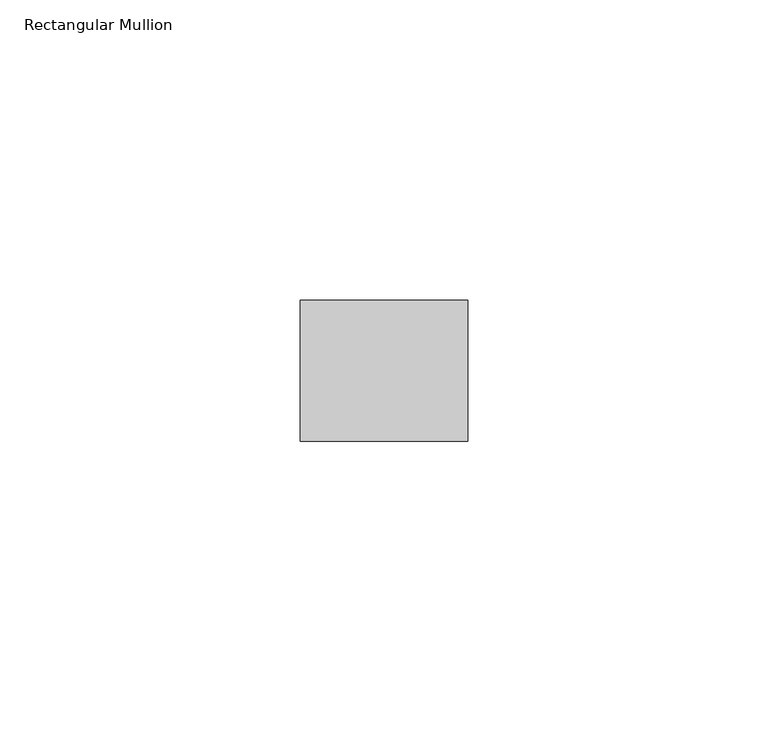
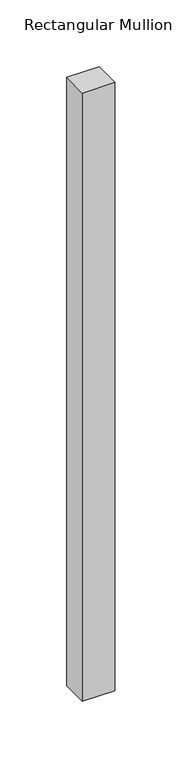
"""IFC4 building model written with IfcOpenShell, lengths in millimetres: member geometry, Rectangular Mullion."""

from ifc_helpers import new_model, si_unit, frame, origin, place, context, project, spatial, polyline, outline, extrude, source, transform, mapped, element, save


def rectangular_mullion_bb414008(model_context):
    return source(origin(), model_context, "Body", "SweptSolid", [
        extrude(outline(polyline([(0.0, -11.7474999), (-27.94, -11.7474999), (-27.94, 11.7474999), (0.0, 11.7474999), (0.0, -11.7474999)])), frame((0.0, 0.0, -555.7260641), z_axis=(0.0, 0.0, 1.0), x_axis=(1.0, 0.0, 0.0)), (0.0, 0.0, 1.0), 555.7260641),
    ])


if __name__ == "__main__":
    model = new_model("IFC4")
    model_context = context("Model", 3, world=origin())
    ifc_project = project(units=[si_unit("LENGTHUNIT", "METRE", prefix="MILLI")], contexts=[model_context])
    site = spatial("IfcSite", under=ifc_project)
    building = spatial("IfcBuilding", under=site)
    placement = place(None, origin())
    rectangular_mullion_shape = rectangular_mullion_bb414008(model_context)
    element("IfcMember", 1, ObjectType="Rectangular Mullion", at=placement, inside=building, context=model_context, shape_type="MappedRepresentation", body=[
        mapped(rectangular_mullion_shape, transform((0.0, 0.0, 0.0), x_axis=(1.0, 0.0, 0.0), y_axis=(0.0, 1.0, 0.0), z_axis=(0.0, 0.0, 1.0))),
    ])
    save(model, "model.ifc")
